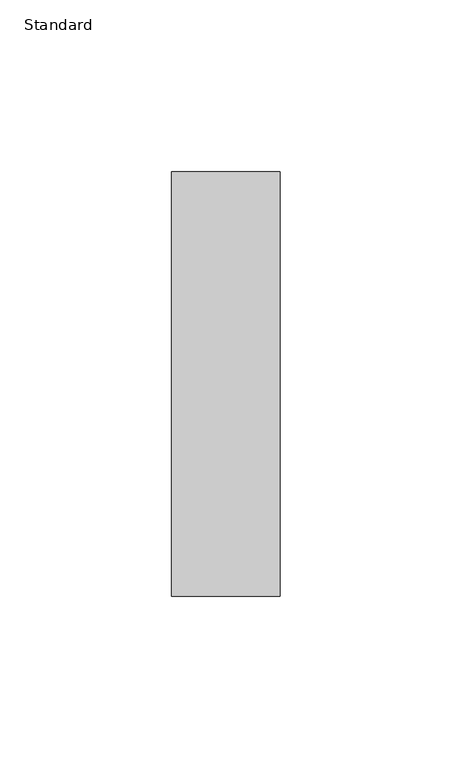
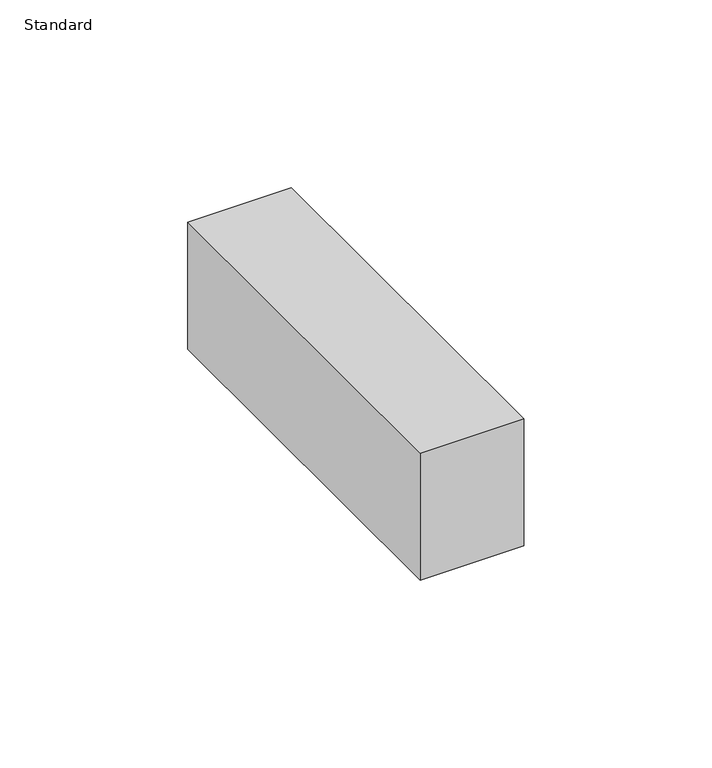
"""IFC4 building model written with IfcOpenShell, lengths in millimetres: proxy geometry, Standard."""

from ifc_helpers import new_model, si_unit, origin, origin_with_axes, place, context, project, spatial, polyline, outline, extrude, source, transform, mapped, element, save


def standard_9d2246e2(model_context):
    return source(origin(), model_context, "Body", "SweptSolid", [
        extrude(outline(polyline([(15.875, 0.0), (15.875, -123.825), (-15.875, -123.825), (-15.875, 0.0), (15.875, 0.0)])), origin_with_axes(), (0.0, 0.0, 1.0), 41.275),
    ])


if __name__ == "__main__":
    model = new_model("IFC4")
    model_context = context("Model", 3, world=origin())
    ifc_project = project(units=[si_unit("LENGTHUNIT", "METRE", prefix="MILLI")], contexts=[model_context])
    site = spatial("IfcSite", under=ifc_project)
    building = spatial("IfcBuilding", under=site)
    placement = place(None, origin())
    standard_shape = standard_9d2246e2(model_context)
    element("IfcBuildingElementProxy", 1, Name="Standard", ObjectType="Standard", at=placement, inside=building, context=model_context, shape_type="MappedRepresentation", body=[
        mapped(standard_shape, transform((0.0, 0.0, 0.0), x_axis=(1.0, 0.0, 0.0), y_axis=(0.0, 1.0, 0.0), z_axis=(0.0, 0.0, 1.0))),
    ])
    save(model, "model.ifc")
